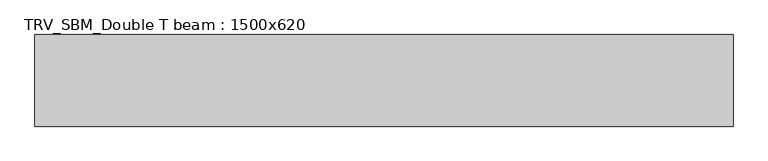
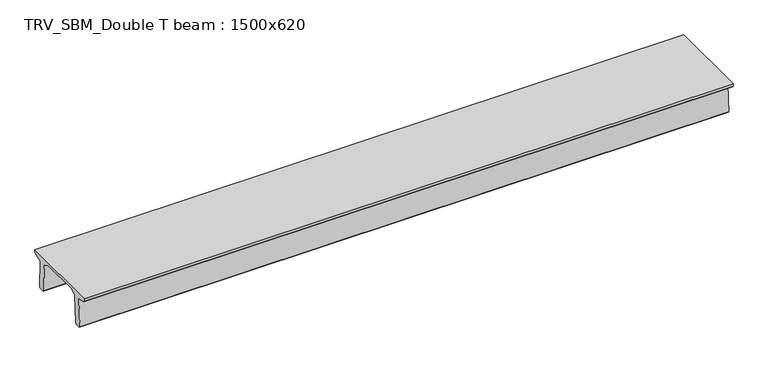
"""IFC4 building model written with IfcOpenShell, lengths in millimetres: beam geometry, TRV_SBM_Double T beam : 1500x620."""

from ifc_helpers import new_model, si_unit, frame, origin, place, context, project, spatial, polyline, outline, extrude, source, transform, mapped, element, save


def trv_sbm_double_t_beam_1500x620_a61f0966(model_context):
    return source(origin(), model_context, "Body", "SweptSolid", [
        extrude(outline(polyline([(-765.0, 215.0), (-765.0, 260.0), (735.0, 260.0), (735.0, 215.0), (728.2094488, 201.315559), (578.0626443, 140.6523122), (594.8277662, -339.4379646), (574.2657308, -360.0), (484.2657308, -360.0), (464.786332, -340.5206011), (447.8600761, 144.18395), (338.3237744, 210.0), (-367.4555014, 210.0), (-476.5389732, 151.9992892), (-507.0080378, -339.3850967), (-527.622941, -360.0), (-615.122941, -360.0), (-637.1143055, -338.0086356), (-606.1572167, 162.687806), (-761.3068466, 204.260024), (-765.0, 215.0)])), frame((-5712.5, 0.0, 0.0), z_axis=(1.0, 0.0, 0.0), x_axis=(0.0, 1.0, 0.0)), (0.0, 0.0, 1.0), 11425.0),
    ])


if __name__ == "__main__":
    model = new_model("IFC4")
    model_context = context("Model", 3, world=origin())
    ifc_project = project(units=[si_unit("LENGTHUNIT", "METRE", prefix="MILLI")], contexts=[model_context])
    site = spatial("IfcSite", under=ifc_project)
    building = spatial("IfcBuilding", under=site)
    placement = place(None, origin())
    trv_sbm_double_t_beam_1500x620_shape = trv_sbm_double_t_beam_1500x620_a61f0966(model_context)
    element("IfcBeam", 1, ObjectType="TRV_SBM_Double T beam : 1500x620", at=placement, inside=building, context=model_context, shape_type="MappedRepresentation", body=[
        mapped(trv_sbm_double_t_beam_1500x620_shape, transform((0.0, 0.0, 0.0), x_axis=(1.0, 0.0, 0.0), y_axis=(0.0, 1.0, 0.0), z_axis=(0.0, 0.0, 1.0))),
    ])
    save(model, "model.ifc")
